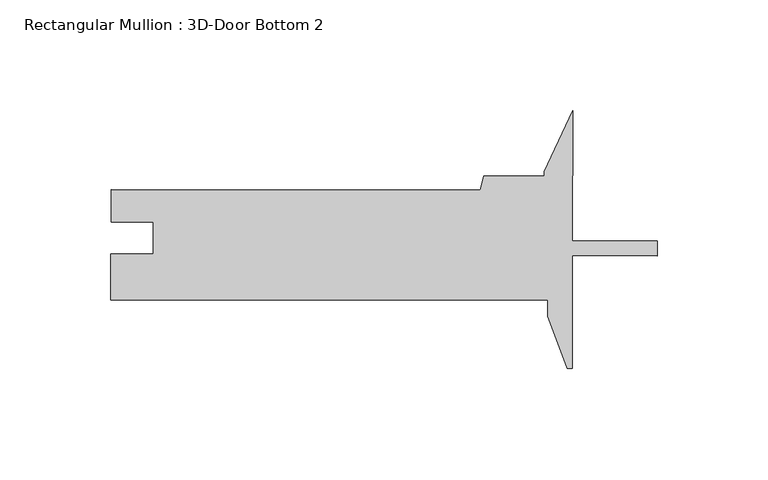
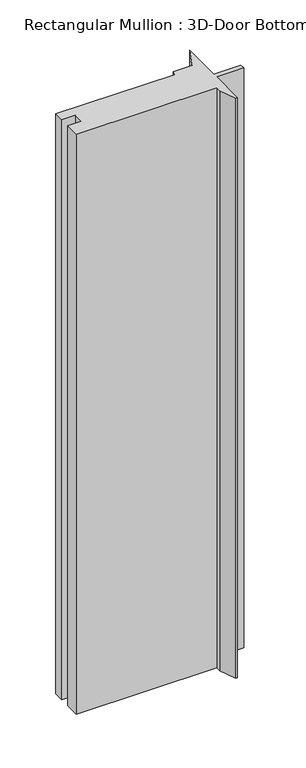
"""IFC4 building model written with IfcOpenShell, lengths in millimetres: member geometry, Rectangular Mullion : 3D-Door Bottom 2."""

from ifc_helpers import new_model, si_unit, frame, origin, place, context, project, spatial, polyline, outline, extrude, source, transform, mapped, element, save


def rectangular_mullion_3d_door_bottom_2_d22b328e(model_context):
    return source(origin(), model_context, "Body", "SweptSolid", [
        extrude(outline(polyline([(-40.531847, -27.1958204), (-49.2425364, -3.7725391), (-49.2361672, 3.4823332), (-246.0873613, 3.6551545), (-246.0690345, 24.5301476), (-227.0444431, 24.5134454), (-227.0318741, 38.8301387), (-246.0564668, 38.846841), (-246.0436558, 53.4391354), (-79.7207086, 53.2931156), (-78.013657, 59.6416194), (-50.7743849, 59.6177052), (-50.7725452, 61.7132044), (-38.0485354, 89.0558903), (-38.0999853, 30.4521293), (0.0, 30.4186802), (-0.0059093, 23.6876828), (-38.107121, 23.7211329), (-38.1518244, -27.1979099), (-40.531847, -27.1958204)])), frame((0.0, 0.0, -859.0279975), z_axis=(0.0, 0.0, 1.0), x_axis=(1.0, 0.0, 0.0)), (0.0, 0.0, 1.0), 859.0279975),
    ])


if __name__ == "__main__":
    model = new_model("IFC4")
    model_context = context("Model", 3, world=origin())
    ifc_project = project(units=[si_unit("LENGTHUNIT", "METRE", prefix="MILLI")], contexts=[model_context])
    site = spatial("IfcSite", under=ifc_project)
    building = spatial("IfcBuilding", under=site)
    placement = place(None, origin())
    rectangular_mullion_3d_door_bottom_2_shape = rectangular_mullion_3d_door_bottom_2_d22b328e(model_context)
    element("IfcMember", 1, ObjectType="Rectangular Mullion : 3D-Door Bottom 2", at=placement, inside=building, context=model_context, shape_type="MappedRepresentation", body=[
        mapped(rectangular_mullion_3d_door_bottom_2_shape, transform((0.0, 0.0, 0.0), x_axis=(1.0, 0.0, 0.0), y_axis=(0.0, 1.0, 0.0), z_axis=(0.0, 0.0, 1.0))),
    ])
    save(model, "model.ifc")
